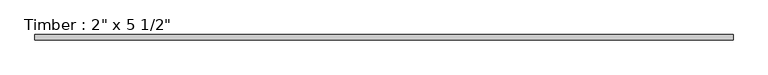
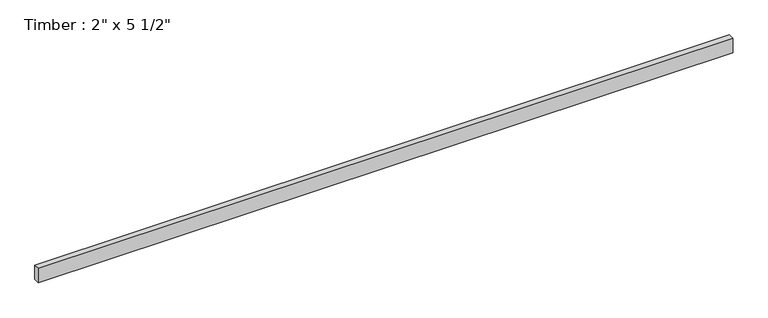
"""IFC4 building model written with IfcOpenShell, lengths in millimetres: beam geometry."""

from ifc_helpers import new_model, si_unit, frame, origin, place, context, project, spatial, polyline, outline, extrude, source, transform, mapped, element, save


def beam_f3b560dc(model_context):
    return source(origin(), model_context, "Body", "SweptSolid", [
        extrude(outline(polyline([(3183.5238379, 25.4), (3183.5238379, -25.4), (-3183.5238379, -25.4), (-3183.5238379, 25.4), (3183.5238379, 25.4)])), frame((0.0, 0.0, -69.85), z_axis=(0.0, 0.0, 1.0), x_axis=(1.0, 0.0, 0.0)), (0.0, 0.0, 1.0), 139.7),
    ])


if __name__ == "__main__":
    model = new_model("IFC4")
    model_context = context("Model", 3, world=origin())
    ifc_project = project(units=[si_unit("LENGTHUNIT", "METRE", prefix="MILLI")], contexts=[model_context])
    site = spatial("IfcSite", under=ifc_project)
    building = spatial("IfcBuilding", under=site)
    placement = place(None, origin())
    beam_shape = beam_f3b560dc(model_context)
    element("IfcBeam", 1, ObjectType="Timber : 2\" x 5 1/2\"", at=placement, inside=building, context=model_context, shape_type="MappedRepresentation", body=[
        mapped(beam_shape, transform((0.0, 0.0, 0.0), x_axis=(1.0, 0.0, 0.0), y_axis=(0.0, 1.0, 0.0), z_axis=(0.0, 0.0, 1.0))),
    ])
    save(model, "model.ifc")
